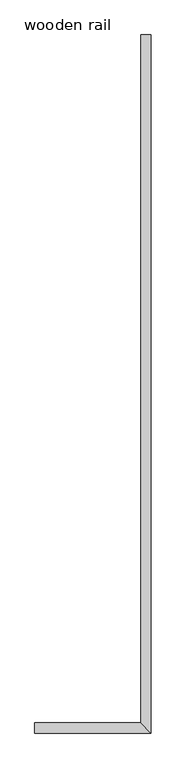
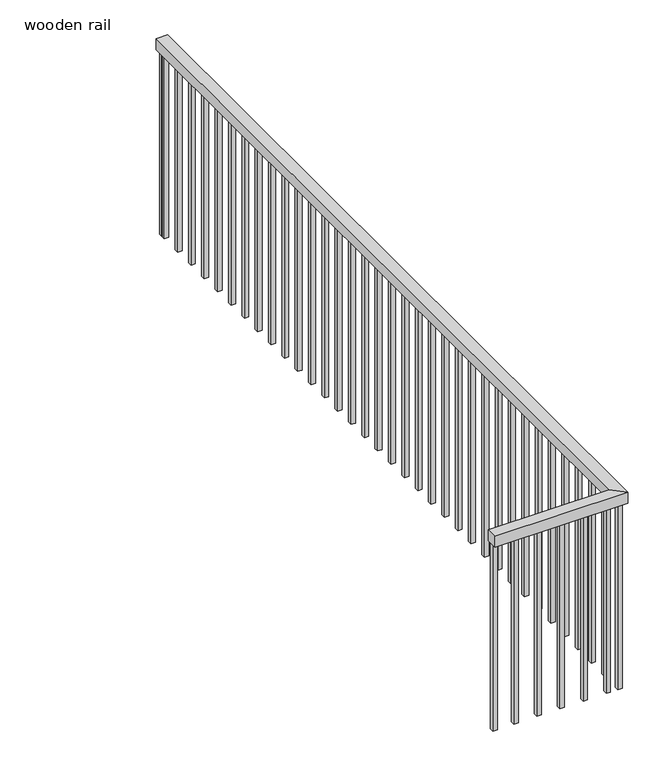
"""IFC4 building model written with IfcOpenShell, lengths in millimetres: railing geometry, wooden rail."""

from ifc_helpers import new_model, si_unit, frame, origin, place, context, project, spatial, polyline, outline, extrude, faceted_brep, source, transform, mapped, element, save


def wooden_rail_f714245d(model_context):
    return source(origin(), model_context, "Body", "SolidModel", [
        faceted_brep([(-8513.8698603, 281.2251285, 3962.4), (-8513.8698603, 281.2251285, 3911.6), (-8564.6698603, 281.2251285, 3911.6), (-8564.6698603, 281.2251285, 3962.4), (-8564.6698603, -3173.1748715, 3962.4), (-8513.8698603, -3223.9748715, 3962.4), (-8564.6698603, -3173.1748715, 3911.6), (-8513.8698603, -3223.9748715, 3911.6), (-9098.0698603, -3223.9748715, 3962.4), (-9098.0698603, -3173.1748715, 3962.4), (-9098.0698603, -3173.1748715, 3911.6), (-9098.0698603, -3223.9748715, 3911.6)], [[[0, 1, 2, 3]], [[4, 5, 0, 3]], [[6, 4, 3, 2]], [[7, 6, 2, 1]], [[5, 7, 1, 0]], [[8, 9, 10, 11]], [[9, 8, 5, 4]], [[10, 9, 4, 6]], [[11, 10, 6, 7]], [[8, 11, 7, 5]]]),
        extrude(outline(polyline([(-8529.7448603, 246.3001285), (-8548.7948603, 246.3001285), (-8548.7948603, 265.3501285), (-8529.7448603, 265.3501285), (-8529.7448603, 246.3001285)])), frame((0.0, 0.0, 3048.0), z_axis=(0.0, 0.0, 1.0), x_axis=(1.0, 0.0, 0.0)), (0.0, 0.0, 1.0), 863.6),
        extrude(outline(polyline([(-8529.7448603, 144.7001285), (-8548.7948603, 144.7001285), (-8548.7948603, 163.7501285), (-8529.7448603, 163.7501285), (-8529.7448603, 144.7001285)])), frame((0.0, 0.0, 3048.0), z_axis=(0.0, 0.0, 1.0), x_axis=(1.0, 0.0, 0.0)), (0.0, 0.0, 1.0), 863.6),
        extrude(outline(polyline([(-8529.7448603, 43.1001285), (-8548.7948603, 43.1001285), (-8548.7948603, 62.1501285), (-8529.7448603, 62.1501285), (-8529.7448603, 43.1001285)])), frame((0.0, 0.0, 3048.0), z_axis=(0.0, 0.0, 1.0), x_axis=(1.0, 0.0, 0.0)), (0.0, 0.0, 1.0), 863.6),
        extrude(outline(polyline([(-8529.7448603, -58.4998715), (-8548.7948603, -58.4998715), (-8548.7948603, -39.4498715), (-8529.7448603, -39.4498715), (-8529.7448603, -58.4998715)])), frame((0.0, 0.0, 3048.0), z_axis=(0.0, 0.0, 1.0), x_axis=(1.0, 0.0, 0.0)), (0.0, 0.0, 1.0), 863.6),
        extrude(outline(polyline([(-8529.7448603, -160.0998715), (-8548.7948603, -160.0998715), (-8548.7948603, -141.0498715), (-8529.7448603, -141.0498715), (-8529.7448603, -160.0998715)])), frame((0.0, 0.0, 3048.0), z_axis=(0.0, 0.0, 1.0), x_axis=(1.0, 0.0, 0.0)), (0.0, 0.0, 1.0), 863.6),
        extrude(outline(polyline([(-8529.7448603, -261.6998715), (-8548.7948603, -261.6998715), (-8548.7948603, -242.6498715), (-8529.7448603, -242.6498715), (-8529.7448603, -261.6998715)])), frame((0.0, 0.0, 3048.0), z_axis=(0.0, 0.0, 1.0), x_axis=(1.0, 0.0, 0.0)), (0.0, 0.0, 1.0), 863.6),
        extrude(outline(polyline([(-8529.7448603, -363.2998715), (-8548.7948603, -363.2998715), (-8548.7948603, -344.2498715), (-8529.7448603, -344.2498715), (-8529.7448603, -363.2998715)])), frame((0.0, 0.0, 3048.0), z_axis=(0.0, 0.0, 1.0), x_axis=(1.0, 0.0, 0.0)), (0.0, 0.0, 1.0), 863.6),
        extrude(outline(polyline([(-8529.7448603, -464.8998715), (-8548.7948603, -464.8998715), (-8548.7948603, -445.8498715), (-8529.7448603, -445.8498715), (-8529.7448603, -464.8998715)])), frame((0.0, 0.0, 3048.0), z_axis=(0.0, 0.0, 1.0), x_axis=(1.0, 0.0, 0.0)), (0.0, 0.0, 1.0), 863.6),
        extrude(outline(polyline([(-8529.7448603, -566.4998715), (-8548.7948603, -566.4998715), (-8548.7948603, -547.4498715), (-8529.7448603, -547.4498715), (-8529.7448603, -566.4998715)])), frame((0.0, 0.0, 3048.0), z_axis=(0.0, 0.0, 1.0), x_axis=(1.0, 0.0, 0.0)), (0.0, 0.0, 1.0), 863.6),
        extrude(outline(polyline([(-8529.7448603, -668.0998715), (-8548.7948603, -668.0998715), (-8548.7948603, -649.0498715), (-8529.7448603, -649.0498715), (-8529.7448603, -668.0998715)])), frame((0.0, 0.0, 3048.0), z_axis=(0.0, 0.0, 1.0), x_axis=(1.0, 0.0, 0.0)), (0.0, 0.0, 1.0), 863.6),
        extrude(outline(polyline([(-8529.7448603, -769.6998715), (-8548.7948603, -769.6998715), (-8548.7948603, -750.6498715), (-8529.7448603, -750.6498715), (-8529.7448603, -769.6998715)])), frame((0.0, 0.0, 3048.0), z_axis=(0.0, 0.0, 1.0), x_axis=(1.0, 0.0, 0.0)), (0.0, 0.0, 1.0), 863.6),
        extrude(outline(polyline([(-8529.7448603, -871.2998715), (-8548.7948603, -871.2998715), (-8548.7948603, -852.2498715), (-8529.7448603, -852.2498715), (-8529.7448603, -871.2998715)])), frame((0.0, 0.0, 3048.0), z_axis=(0.0, 0.0, 1.0), x_axis=(1.0, 0.0, 0.0)), (0.0, 0.0, 1.0), 863.6),
        extrude(outline(polyline([(-8529.7448603, -972.8998715), (-8548.7948603, -972.8998715), (-8548.7948603, -953.8498715), (-8529.7448603, -953.8498715), (-8529.7448603, -972.8998715)])), frame((0.0, 0.0, 3048.0), z_axis=(0.0, 0.0, 1.0), x_axis=(1.0, 0.0, 0.0)), (0.0, 0.0, 1.0), 863.6),
        extrude(outline(polyline([(-8529.7448603, -1074.4998715), (-8548.7948603, -1074.4998715), (-8548.7948603, -1055.4498715), (-8529.7448603, -1055.4498715), (-8529.7448603, -1074.4998715)])), frame((0.0, 0.0, 3048.0), z_axis=(0.0, 0.0, 1.0), x_axis=(1.0, 0.0, 0.0)), (0.0, 0.0, 1.0), 863.6),
        extrude(outline(polyline([(-8529.7448603, -1176.0998715), (-8548.7948603, -1176.0998715), (-8548.7948603, -1157.0498715), (-8529.7448603, -1157.0498715), (-8529.7448603, -1176.0998715)])), frame((0.0, 0.0, 3048.0), z_axis=(0.0, 0.0, 1.0), x_axis=(1.0, 0.0, 0.0)), (0.0, 0.0, 1.0), 863.6),
        extrude(outline(polyline([(-8529.7448603, -1277.6998715), (-8548.7948603, -1277.6998715), (-8548.7948603, -1258.6498715), (-8529.7448603, -1258.6498715), (-8529.7448603, -1277.6998715)])), frame((0.0, 0.0, 3048.0), z_axis=(0.0, 0.0, 1.0), x_axis=(1.0, 0.0, 0.0)), (0.0, 0.0, 1.0), 863.6),
        extrude(outline(polyline([(-8529.7448603, -1379.2998715), (-8548.7948603, -1379.2998715), (-8548.7948603, -1360.2498715), (-8529.7448603, -1360.2498715), (-8529.7448603, -1379.2998715)])), frame((0.0, 0.0, 3048.0), z_axis=(0.0, 0.0, 1.0), x_axis=(1.0, 0.0, 0.0)), (0.0, 0.0, 1.0), 863.6),
        extrude(outline(polyline([(-8529.7448603, -1480.8998715), (-8548.7948603, -1480.8998715), (-8548.7948603, -1461.8498715), (-8529.7448603, -1461.8498715), (-8529.7448603, -1480.8998715)])), frame((0.0, 0.0, 3048.0), z_axis=(0.0, 0.0, 1.0), x_axis=(1.0, 0.0, 0.0)), (0.0, 0.0, 1.0), 863.6),
        extrude(outline(polyline([(-8529.7448603, -1582.4998715), (-8548.7948603, -1582.4998715), (-8548.7948603, -1563.4498715), (-8529.7448603, -1563.4498715), (-8529.7448603, -1582.4998715)])), frame((0.0, 0.0, 3048.0), z_axis=(0.0, 0.0, 1.0), x_axis=(1.0, 0.0, 0.0)), (0.0, 0.0, 1.0), 863.6),
        extrude(outline(polyline([(-8529.7448603, -1684.0998715), (-8548.7948603, -1684.0998715), (-8548.7948603, -1665.0498715), (-8529.7448603, -1665.0498715), (-8529.7448603, -1684.0998715)])), frame((0.0, 0.0, 3048.0), z_axis=(0.0, 0.0, 1.0), x_axis=(1.0, 0.0, 0.0)), (0.0, 0.0, 1.0), 863.6),
        extrude(outline(polyline([(-8529.7448603, -1785.6998715), (-8548.7948603, -1785.6998715), (-8548.7948603, -1766.6498715), (-8529.7448603, -1766.6498715), (-8529.7448603, -1785.6998715)])), frame((0.0, 0.0, 3048.0), z_axis=(0.0, 0.0, 1.0), x_axis=(1.0, 0.0, 0.0)), (0.0, 0.0, 1.0), 863.6),
        extrude(outline(polyline([(-8529.7448603, -1887.2998715), (-8548.7948603, -1887.2998715), (-8548.7948603, -1868.2498715), (-8529.7448603, -1868.2498715), (-8529.7448603, -1887.2998715)])), frame((0.0, 0.0, 3048.0), z_axis=(0.0, 0.0, 1.0), x_axis=(1.0, 0.0, 0.0)), (0.0, 0.0, 1.0), 863.6),
        extrude(outline(polyline([(-8529.7448603, -1988.8998715), (-8548.7948603, -1988.8998715), (-8548.7948603, -1969.8498715), (-8529.7448603, -1969.8498715), (-8529.7448603, -1988.8998715)])), frame((0.0, 0.0, 3048.0), z_axis=(0.0, 0.0, 1.0), x_axis=(1.0, 0.0, 0.0)), (0.0, 0.0, 1.0), 863.6),
        extrude(outline(polyline([(-8529.7448603, -2090.4998715), (-8548.7948603, -2090.4998715), (-8548.7948603, -2071.4498715), (-8529.7448603, -2071.4498715), (-8529.7448603, -2090.4998715)])), frame((0.0, 0.0, 3048.0), z_axis=(0.0, 0.0, 1.0), x_axis=(1.0, 0.0, 0.0)), (0.0, 0.0, 1.0), 863.6),
        extrude(outline(polyline([(-8529.7448603, -2192.0998715), (-8548.7948603, -2192.0998715), (-8548.7948603, -2173.0498715), (-8529.7448603, -2173.0498715), (-8529.7448603, -2192.0998715)])), frame((0.0, 0.0, 3048.0), z_axis=(0.0, 0.0, 1.0), x_axis=(1.0, 0.0, 0.0)), (0.0, 0.0, 1.0), 863.6),
        extrude(outline(polyline([(-8529.7448603, -2293.6998715), (-8548.7948603, -2293.6998715), (-8548.7948603, -2274.6498715), (-8529.7448603, -2274.6498715), (-8529.7448603, -2293.6998715)])), frame((0.0, 0.0, 3048.0), z_axis=(0.0, 0.0, 1.0), x_axis=(1.0, 0.0, 0.0)), (0.0, 0.0, 1.0), 863.6),
        extrude(outline(polyline([(-8529.7448603, -2395.2998715), (-8548.7948603, -2395.2998715), (-8548.7948603, -2376.2498715), (-8529.7448603, -2376.2498715), (-8529.7448603, -2395.2998715)])), frame((0.0, 0.0, 3048.0), z_axis=(0.0, 0.0, 1.0), x_axis=(1.0, 0.0, 0.0)), (0.0, 0.0, 1.0), 863.6),
        extrude(outline(polyline([(-8529.7448603, -2496.8998715), (-8548.7948603, -2496.8998715), (-8548.7948603, -2477.8498715), (-8529.7448603, -2477.8498715), (-8529.7448603, -2496.8998715)])), frame((0.0, 0.0, 3048.0), z_axis=(0.0, 0.0, 1.0), x_axis=(1.0, 0.0, 0.0)), (0.0, 0.0, 1.0), 863.6),
        extrude(outline(polyline([(-8529.7448603, -2598.4998715), (-8548.7948603, -2598.4998715), (-8548.7948603, -2579.4498715), (-8529.7448603, -2579.4498715), (-8529.7448603, -2598.4998715)])), frame((0.0, 0.0, 3048.0), z_axis=(0.0, 0.0, 1.0), x_axis=(1.0, 0.0, 0.0)), (0.0, 0.0, 1.0), 863.6),
        extrude(outline(polyline([(-8529.7448603, -2700.0998715), (-8548.7948603, -2700.0998715), (-8548.7948603, -2681.0498715), (-8529.7448603, -2681.0498715), (-8529.7448603, -2700.0998715)])), frame((0.0, 0.0, 3048.0), z_axis=(0.0, 0.0, 1.0), x_axis=(1.0, 0.0, 0.0)), (0.0, 0.0, 1.0), 863.6),
        extrude(outline(polyline([(-8529.7448603, -2801.6998715), (-8548.7948603, -2801.6998715), (-8548.7948603, -2782.6498715), (-8529.7448603, -2782.6498715), (-8529.7448603, -2801.6998715)])), frame((0.0, 0.0, 3048.0), z_axis=(0.0, 0.0, 1.0), x_axis=(1.0, 0.0, 0.0)), (0.0, 0.0, 1.0), 863.6),
        extrude(outline(polyline([(-8529.7448603, -2903.2998715), (-8548.7948603, -2903.2998715), (-8548.7948603, -2884.2498715), (-8529.7448603, -2884.2498715), (-8529.7448603, -2903.2998715)])), frame((0.0, 0.0, 3048.0), z_axis=(0.0, 0.0, 1.0), x_axis=(1.0, 0.0, 0.0)), (0.0, 0.0, 1.0), 863.6),
        extrude(outline(polyline([(-8529.7448603, -3004.8998715), (-8548.7948603, -3004.8998715), (-8548.7948603, -2985.8498715), (-8529.7448603, -2985.8498715), (-8529.7448603, -3004.8998715)])), frame((0.0, 0.0, 3048.0), z_axis=(0.0, 0.0, 1.0), x_axis=(1.0, 0.0, 0.0)), (0.0, 0.0, 1.0), 863.6),
        extrude(outline(polyline([(-8529.7448603, -3106.4998715), (-8548.7948603, -3106.4998715), (-8548.7948603, -3087.4498715), (-8529.7448603, -3087.4498715), (-8529.7448603, -3106.4998715)])), frame((0.0, 0.0, 3048.0), z_axis=(0.0, 0.0, 1.0), x_axis=(1.0, 0.0, 0.0)), (0.0, 0.0, 1.0), 863.6),
        extrude(outline(polyline([(-8599.5948603, -3208.0998715), (-8599.5948603, -3189.0498715), (-8580.5448603, -3189.0498715), (-8580.5448603, -3208.0998715), (-8599.5948603, -3208.0998715)])), frame((0.0, 0.0, 3048.0), z_axis=(0.0, 0.0, 1.0), x_axis=(1.0, 0.0, 0.0)), (0.0, 0.0, 1.0), 863.6),
        extrude(outline(polyline([(-8701.1948603, -3208.0998715), (-8701.1948603, -3189.0498715), (-8682.1448603, -3189.0498715), (-8682.1448603, -3208.0998715), (-8701.1948603, -3208.0998715)])), frame((0.0, 0.0, 3048.0), z_axis=(0.0, 0.0, 1.0), x_axis=(1.0, 0.0, 0.0)), (0.0, 0.0, 1.0), 863.6),
        extrude(outline(polyline([(-8802.7948603, -3208.0998715), (-8802.7948603, -3189.0498715), (-8783.7448603, -3189.0498715), (-8783.7448603, -3208.0998715), (-8802.7948603, -3208.0998715)])), frame((0.0, 0.0, 3048.0), z_axis=(0.0, 0.0, 1.0), x_axis=(1.0, 0.0, 0.0)), (0.0, 0.0, 1.0), 863.6),
        extrude(outline(polyline([(-8904.3948603, -3208.0998715), (-8904.3948603, -3189.0498715), (-8885.3448603, -3189.0498715), (-8885.3448603, -3208.0998715), (-8904.3948603, -3208.0998715)])), frame((0.0, 0.0, 3048.0), z_axis=(0.0, 0.0, 1.0), x_axis=(1.0, 0.0, 0.0)), (0.0, 0.0, 1.0), 863.6),
        extrude(outline(polyline([(-9005.9948603, -3208.0998715), (-9005.9948603, -3189.0498715), (-8986.9448603, -3189.0498715), (-8986.9448603, -3208.0998715), (-9005.9948603, -3208.0998715)])), frame((0.0, 0.0, 3048.0), z_axis=(0.0, 0.0, 1.0), x_axis=(1.0, 0.0, 0.0)), (0.0, 0.0, 1.0), 863.6),
        extrude(outline(polyline([(-8548.7948603, -3208.0998715), (-8548.7948603, -3189.0498715), (-8529.7448603, -3189.0498715), (-8529.7448603, -3208.0998715), (-8548.7948603, -3208.0998715)])), frame((0.0, 0.0, 3048.0), z_axis=(0.0, 0.0, 1.0), x_axis=(1.0, 0.0, 0.0)), (0.0, 0.0, 1.0), 863.6),
        extrude(outline(polyline([(-8529.7448603, 262.1751285), (-8548.7948603, 262.1751285), (-8548.7948603, 281.2251285), (-8529.7448603, 281.2251285), (-8529.7448603, 262.1751285)])), frame((0.0, 0.0, 3048.0), z_axis=(0.0, 0.0, 1.0), x_axis=(1.0, 0.0, 0.0)), (0.0, 0.0, 1.0), 863.6),
        extrude(outline(polyline([(-9098.0698603, -3208.0998715), (-9098.0698603, -3189.0498715), (-9079.0198603, -3189.0498715), (-9079.0198603, -3208.0998715), (-9098.0698603, -3208.0998715)])), frame((0.0, 0.0, 3048.0), z_axis=(0.0, 0.0, 1.0), x_axis=(1.0, 0.0, 0.0)), (0.0, 0.0, 1.0), 863.6),
    ])


if __name__ == "__main__":
    model = new_model("IFC4")
    model_context = context("Model", 3, world=origin())
    ifc_project = project(units=[si_unit("LENGTHUNIT", "METRE", prefix="MILLI")], contexts=[model_context])
    site = spatial("IfcSite", under=ifc_project)
    building = spatial("IfcBuilding", under=site)
    placement = place(None, origin())
    wooden_rail_shape = wooden_rail_f714245d(model_context)
    element("IfcRailing", 1, ObjectType="wooden rail", at=placement, inside=building, context=model_context, shape_type="MappedRepresentation", body=[
        mapped(wooden_rail_shape, transform((0.0, 0.0, 0.0), x_axis=(1.0, 0.0, 0.0), y_axis=(0.0, 1.0, 0.0), z_axis=(0.0, 0.0, 1.0))),
    ])
    save(model, "model.ifc")
